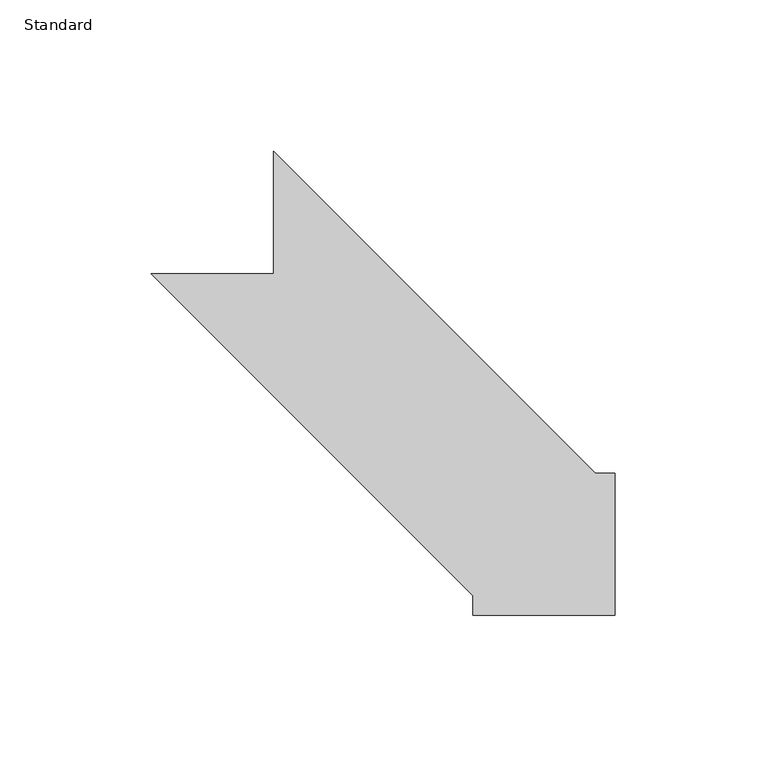
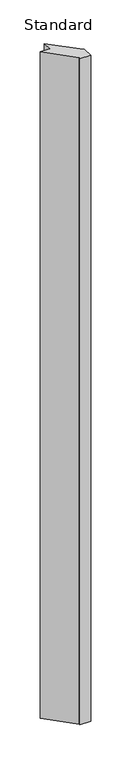
"""IFC4 building model written with IfcOpenShell, lengths in millimetres: column geometry, Standard."""

from ifc_helpers import new_model, si_unit, origin, origin_with_axes, place, context, project, spatial, polyline, outline, extrude, source, transform, mapped, element, save


def standard_695d8daf(model_context):
    return source(origin(), model_context, "Body", "SweptSolid", [
        extrude(outline(polyline([(-46.7611525, 6.35), (-153.1236525, 112.7125), (-112.7125, 112.7125), (-112.7125, 153.1236525), (-6.35, 46.7611525), (0.0, 46.7611525), (0.0, 0.0), (-46.7611525, 0.0), (-46.7611525, 6.35)])), origin_with_axes(), (0.0, 0.0, 1.0), 3048.0),
    ])


if __name__ == "__main__":
    model = new_model("IFC4")
    model_context = context("Model", 3, world=origin())
    ifc_project = project(units=[si_unit("LENGTHUNIT", "METRE", prefix="MILLI")], contexts=[model_context])
    site = spatial("IfcSite", under=ifc_project)
    building = spatial("IfcBuilding", under=site)
    placement = place(None, origin())
    standard_shape = standard_695d8daf(model_context)
    element("IfcColumn", 1, ObjectType="Standard", at=placement, inside=building, context=model_context, shape_type="MappedRepresentation", body=[
        mapped(standard_shape, transform((0.0, 0.0, 0.0), x_axis=(1.0, 0.0, 0.0), y_axis=(0.0, 1.0, 0.0), z_axis=(0.0, 0.0, 1.0))),
    ])
    save(model, "model.ifc")
